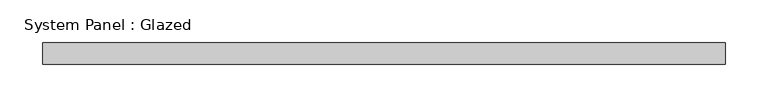
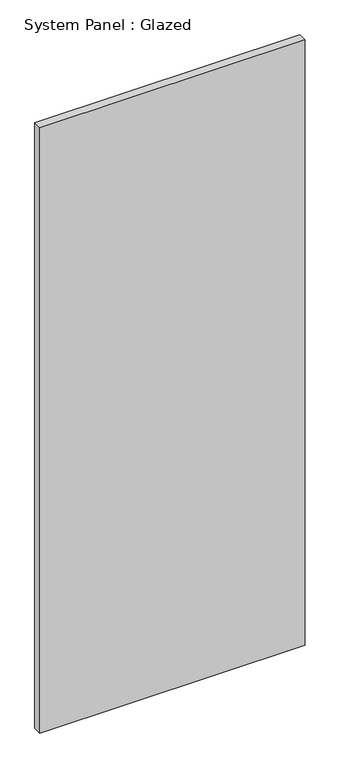
"""IFC4 building model written with IfcOpenShell, lengths in millimetres: plate geometry, System Panel : Glazed."""

from ifc_helpers import new_model, si_unit, origin, origin_with_axes, place, context, project, spatial, polyline, outline, extrude, source, transform, mapped, element, save


def system_panel_glazed_17d796ee(model_context):
    return source(origin(), model_context, "Body", "SweptSolid", [
        extrude(outline(polyline([(399.0605998, 19.05), (-399.0605998, 19.05), (-399.0605998, 44.45), (399.0605998, 44.45), (399.0605998, 19.05)])), origin_with_axes(), (0.0, 0.0, 1.0), 1924.05),
    ])


if __name__ == "__main__":
    model = new_model("IFC4")
    model_context = context("Model", 3, world=origin())
    ifc_project = project(units=[si_unit("LENGTHUNIT", "METRE", prefix="MILLI")], contexts=[model_context])
    site = spatial("IfcSite", under=ifc_project)
    building = spatial("IfcBuilding", under=site)
    placement = place(None, origin())
    system_panel_glazed_shape = system_panel_glazed_17d796ee(model_context)
    element("IfcPlate", 1, ObjectType="System Panel : Glazed", at=placement, inside=building, context=model_context, shape_type="MappedRepresentation", body=[
        mapped(system_panel_glazed_shape, transform((0.0, 0.0, 0.0), x_axis=(1.0, 0.0, 0.0), y_axis=(0.0, 1.0, 0.0), z_axis=(0.0, 0.0, 1.0))),
    ])
    save(model, "model.ifc")
